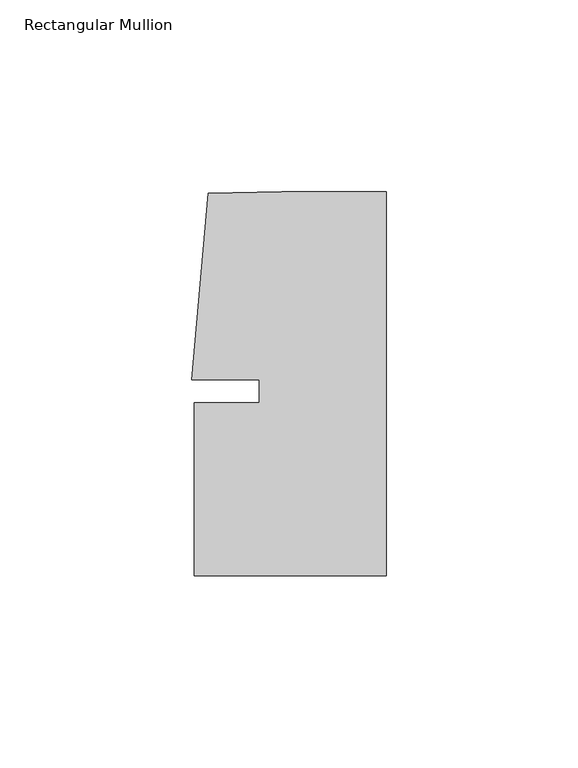
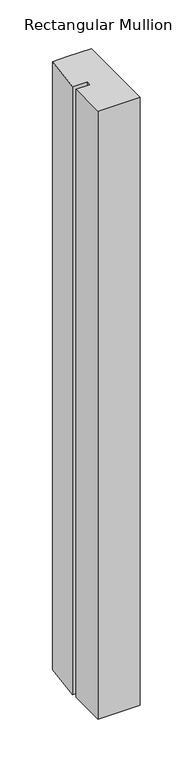
"""IFC4 building model written with IfcOpenShell, lengths in millimetres: member geometry, Rectangular Mullion."""

from ifc_helpers import new_model, si_unit, frame, origin, place, context, project, spatial, polyline, outline, extrude, source, transform, mapped, element, save


def rectangular_mullion_befba3ca(model_context):
    return source(origin(), model_context, "Body", "SweptSolid", [
        extrude(outline(polyline([(-33.0004671, -3.0000287), (-33.0004665, 2.9999885), (-50.6129097, 2.9999903), (-46.3623019, 51.5846059), (-27.2554335, 51.9999707), (0.0, 51.999968), (-9.8e-06, -48.0000271), (-50.0000098, -48.0000271), (-50.0000054, -3.0000271), (-33.0004671, -3.0000287)])), frame((0.0, 0.0, -761.0001392), z_axis=(0.0, 0.0, 1.0), x_axis=(1.0, 0.0, 0.0)), (0.0, 0.0, 1.0), 761.0001392),
    ])


if __name__ == "__main__":
    model = new_model("IFC4")
    model_context = context("Model", 3, world=origin())
    ifc_project = project(units=[si_unit("LENGTHUNIT", "METRE", prefix="MILLI")], contexts=[model_context])
    site = spatial("IfcSite", under=ifc_project)
    building = spatial("IfcBuilding", under=site)
    placement = place(None, origin())
    rectangular_mullion_shape = rectangular_mullion_befba3ca(model_context)
    element("IfcMember", 1, ObjectType="Rectangular Mullion", at=placement, inside=building, context=model_context, shape_type="MappedRepresentation", body=[
        mapped(rectangular_mullion_shape, transform((0.0, 0.0, 0.0), x_axis=(1.0, 0.0, 0.0), y_axis=(0.0, 1.0, 0.0), z_axis=(0.0, 0.0, 1.0))),
    ])
    save(model, "model.ifc")
